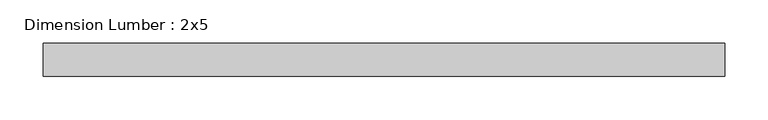
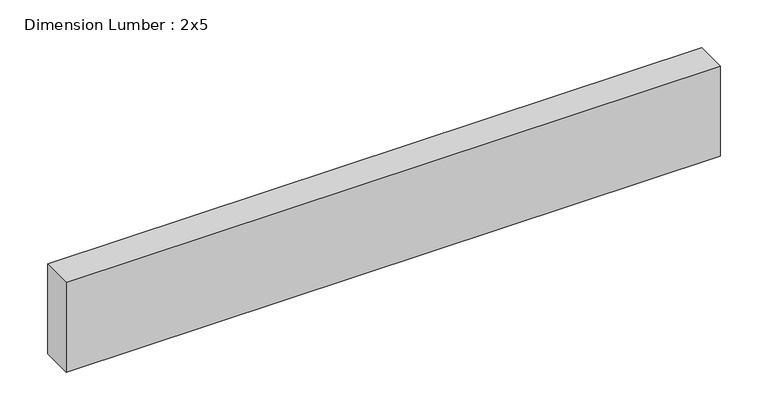
"""IFC4 building model written with IfcOpenShell, lengths in millimetres: beam geometry, Dimension Lumber : 2x5."""

from ifc_helpers import new_model, si_unit, frame, origin, place, context, project, spatial, polyline, outline, extrude, source, transform, mapped, element, save


def dimension_lumber_2x5_86a8a968(model_context):
    return source(origin(), model_context, "Body", "SweptSolid", [
        extrude(outline(polyline([(393.2423858, 19.05), (393.2423858, -19.05), (-393.2423858, -19.05), (-393.2423858, 19.05), (393.2423858, 19.05)])), frame((0.0, 0.0, -57.15), z_axis=(0.0, 0.0, 1.0), x_axis=(1.0, 0.0, 0.0)), (0.0, 0.0, 1.0), 114.3),
    ])


if __name__ == "__main__":
    model = new_model("IFC4")
    model_context = context("Model", 3, world=origin())
    ifc_project = project(units=[si_unit("LENGTHUNIT", "METRE", prefix="MILLI")], contexts=[model_context])
    site = spatial("IfcSite", under=ifc_project)
    building = spatial("IfcBuilding", under=site)
    placement = place(None, origin())
    dimension_lumber_2x5_shape = dimension_lumber_2x5_86a8a968(model_context)
    element("IfcBeam", 1, ObjectType="Dimension Lumber : 2x5", at=placement, inside=building, context=model_context, shape_type="MappedRepresentation", body=[
        mapped(dimension_lumber_2x5_shape, transform((0.0, 0.0, 0.0), x_axis=(1.0, 0.0, 0.0), y_axis=(0.0, 1.0, 0.0), z_axis=(0.0, 0.0, 1.0))),
    ])
    save(model, "model.ifc")
